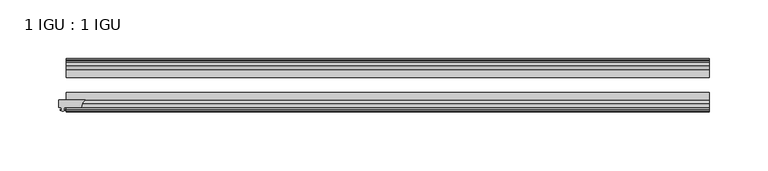
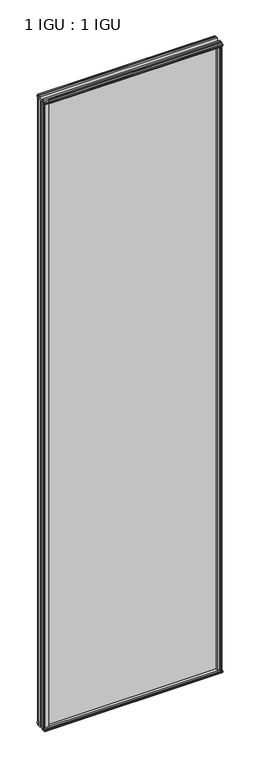
"""IFC4 building model written with IfcOpenShell, lengths in millimetres: plate geometry, 1 IGU : 1 IGU."""

import ifcopenshell
import ifcopenshell.guid

model = None  # the IFC model being written
_history = None  # IfcOwnerHistory: only IFC2X3 demands one
_inside = {}  # id of a spatial element -> (the spatial element, [elements in it])
_under = {}  # id of a project, library or spatial element -> (it, [spatial elements below it])
_declared = {}  # id of a project -> (the project, [libraries it declares])
_typed = {}  # id of a type object -> (the type object, [elements of that type])
_made_of = {}  # id of a material, layer set ... -> (it, [elements and type objects made of it])


def new_model(schema):
    """Start an empty IFC model of exactly this schema.

    Asked for "IFC4X3", IfcOpenShell would pick the latest addendum, in which some entities
    have other attributes; the version numbers below select the first issue.
    IFC2X3 requires an IfcOwnerHistory on every rooted entity: one is made here for all.
    """
    global model, _history
    if schema == "IFC4X3":
        model = ifcopenshell.file(schema_version=(4, 3, 0, 0))
    else:
        model = ifcopenshell.file(schema=schema)
    _inside.clear()
    _under.clear()
    _declared.clear()
    _typed.clear()
    _made_of.clear()
    _history = None
    if model.schema == "IFC2X3":
        org = make("IfcOrganization", Name="unknown")
        user = make(
            "IfcPersonAndOrganization",
            ThePerson=make("IfcPerson", FamilyName="unknown"),
            TheOrganization=org,
        )
        app = make(
            "IfcApplication",
            ApplicationDeveloper=org,
            Version="unknown",
            ApplicationFullName="unknown",
            ApplicationIdentifier="unknown",
        )
        _history = make(
            "IfcOwnerHistory",
            OwningUser=user,
            OwningApplication=app,
            ChangeAction="ADDED",
            CreationDate=0,
        )
    return model


def make(cls, **values):
    """One entity of the class cls with the attributes given. An attribute that is None is left unset."""
    return model.create_entity(
        cls, **{name: value for name, value in values.items() if value is not None}
    )


def rooted(cls, **values):
    """An entity with a GlobalId (a new one), such as an element, a storey or a relation."""
    return make(cls, GlobalId=ifcopenshell.guid.new(), OwnerHistory=_history, **values)


def si_unit(unit_type, name, prefix=None):
    """IfcSIUnit, for example si_unit("LENGTHUNIT", "METRE", prefix="MILLI")."""
    return make("IfcSIUnit", UnitType=unit_type, Prefix=prefix, Name=name)


def assignment(units):
    """IfcUnitAssignment: the units of a project."""
    return None if units is None else make("IfcUnitAssignment", Units=units)


def point(xyz):
    """IfcCartesianPoint."""
    return None if xyz is None else make("IfcCartesianPoint", Coordinates=xyz)


def direction(xyz):
    """IfcDirection."""
    return None if xyz is None else make("IfcDirection", DirectionRatios=xyz)


def frame(location, z_axis=None, x_axis=None):
    """IfcAxis2Placement3D, a coordinate frame: its origin and axes. An axis left out is left unset."""
    return make(
        "IfcAxis2Placement3D",
        Location=point(location),
        Axis=direction(z_axis),
        RefDirection=direction(x_axis),
    )


def frame_2d(location, x_axis=None):
    """IfcAxis2Placement2D, a coordinate frame in the plane: its origin and x axis."""
    return make(
        "IfcAxis2Placement2D", Location=point(location), RefDirection=direction(x_axis)
    )


def origin():
    """The frame at (0, 0, 0) with its axes left unset."""
    return frame((0.0, 0.0, 0.0))


def origin_with_axes():
    """The frame at (0, 0, 0) with the z axis (0, 0, 1) and the x axis (1, 0, 0) written out."""
    return frame((0.0, 0.0, 0.0), z_axis=(0.0, 0.0, 1.0), x_axis=(1.0, 0.0, 0.0))


def place(relative_to, where):
    """IfcLocalPlacement: puts the frame where relative to a parent placement (None: the world)."""
    return make(
        "IfcLocalPlacement", PlacementRelTo=relative_to, RelativePlacement=where
    )


def context(
    kind, dimensions, precision=None, world=None, true_north=None, identifier=None
):
    """IfcGeometricRepresentationContext, for example the 3D "Model" context."""
    return make(
        "IfcGeometricRepresentationContext",
        ContextIdentifier=identifier,
        ContextType=kind,
        CoordinateSpaceDimension=dimensions,
        Precision=precision,
        WorldCoordinateSystem=world,
        TrueNorth=true_north,
    )


def project(units=None, contexts=None):
    """IfcProject with its units and contexts."""
    return rooted(
        "IfcProject",
        Name="project",
        RepresentationContexts=contexts,
        UnitsInContext=assignment(units),
    )


def spatial(cls, under=None, at=None, **own):
    """A site, building, storey or space (cls), placed at a placement, below another one or the project."""
    s = rooted(cls, ObjectPlacement=at, **own)
    if under is not None:
        _under.setdefault(under.id(), (under, []))[1].append(s)
    return s


def polyline(points):
    """IfcPolyline through the points."""
    return make("IfcPolyline", Points=[point(p) for p in points])


def circle_curve(where, radius):
    """IfcCircle in the frame where."""
    return make("IfcCircle", Position=where, Radius=radius)


def trimmed(basis, trim1, trim2, sense, master):
    """IfcTrimmedCurve: the piece of a basis curve between two trims."""
    return make(
        "IfcTrimmedCurve",
        BasisCurve=basis,
        Trim1=trim1,
        Trim2=trim2,
        SenseAgreement=sense,
        MasterRepresentation=master,
    )


def segment(curve, same_sense, transition):
    """IfcCompositeCurveSegment."""
    return make(
        "IfcCompositeCurveSegment",
        Transition=transition,
        SameSense=same_sense,
        ParentCurve=curve,
    )


def composite_curve(segments, self_intersect=None):
    """IfcCompositeCurve: segments joined end to end."""
    return make("IfcCompositeCurve", Segments=segments, SelfIntersect=self_intersect)


def outline(outer, holes=None, kind="AREA"):
    """IfcArbitraryClosedProfileDef: a profile drawn as a closed curve; with holes, ...WithVoids."""
    if holes is None:
        return make("IfcArbitraryClosedProfileDef", ProfileType=kind, OuterCurve=outer)
    return make(
        "IfcArbitraryProfileDefWithVoids",
        ProfileType=kind,
        OuterCurve=outer,
        InnerCurves=holes,
    )


def extrude(swept, where, along, depth):
    """IfcExtrudedAreaSolid: the profile swept, set in the frame where, extruded along a direction by depth."""
    return make(
        "IfcExtrudedAreaSolid",
        SweptArea=swept,
        Position=where,
        ExtrudedDirection=direction(along),
        Depth=depth,
    )


def shape(context_of_items, identifier, shape_type, items):
    """IfcShapeRepresentation: the items that make up one representation, for example the "Body"."""
    return make(
        "IfcShapeRepresentation",
        ContextOfItems=context_of_items,
        RepresentationIdentifier=identifier,
        RepresentationType=shape_type,
        Items=items,
    )


def source(mapping_origin, context_of_items, identifier, shape_type, items):
    """IfcRepresentationMap: a shape defined once, which mapped items show again and again."""
    return make(
        "IfcRepresentationMap",
        MappingOrigin=mapping_origin,
        MappedRepresentation=shape(context_of_items, identifier, shape_type, items),
    )


def transform(
    local_origin,
    x_axis=None,
    y_axis=None,
    z_axis=None,
    scale=None,
    scale2=None,
    scale3=None,
    uniform=True,
):
    """IfcCartesianTransformationOperator3D, or its non-uniform kind. x_axis, y_axis, z_axis: its Axis1, 2, 3."""
    if uniform:
        return make(
            "IfcCartesianTransformationOperator3D",
            Axis1=direction(x_axis),
            Axis2=direction(y_axis),
            LocalOrigin=point(local_origin),
            Scale=scale,
            Axis3=direction(z_axis),
        )
    return make(
        "IfcCartesianTransformationOperator3DnonUniform",
        Axis1=direction(x_axis),
        Axis2=direction(y_axis),
        LocalOrigin=point(local_origin),
        Scale=scale,
        Axis3=direction(z_axis),
        Scale2=scale2,
        Scale3=scale3,
    )


def mapped(mapping_source, mapping_target):
    """IfcMappedItem: shows the shape of a source again, moved by a transform."""
    return make(
        "IfcMappedItem", MappingSource=mapping_source, MappingTarget=mapping_target
    )


def made_of(thing, what):
    """Note that an element or type object is made of a material, layer set ...; save() writes the relation."""
    if what is not None:
        _made_of.setdefault(what.id(), (what, []))[1].append(thing)
    return thing


def element(
    cls,
    number,
    at=None,
    inside=None,
    cuts=None,
    type_object=None,
    material=None,
    context=None,
    identifier="Body",
    shape_type=None,
    held_by="IfcProductDefinitionShape",
    body=None,
    shapes=None,
    **own,
):
    """One element of the class cls, such as IfcWall. Its Tag is "e" and its number.

    at: its placement. inside: the storey or other place that contains it. cuts: it is an
    opening in that element (IfcRelVoidsElement). A single representation is given by context,
    identifier, shape_type and body (its items); several are given by shapes. held_by: the class
    of the entity that holds the representations. save() writes the other relations.
    """
    e = rooted(cls, Tag="e%d" % number, ObjectPlacement=at, **own)
    if body is not None:
        shapes = [shape(context, identifier, shape_type, body)]
    if shapes is not None:
        e.Representation = make(held_by, Representations=shapes)
    if inside is not None:
        _inside.setdefault(inside.id(), (inside, []))[1].append(e)
    if cuts is not None:
        rooted(
            "IfcRelVoidsElement", RelatingBuildingElement=cuts, RelatedOpeningElement=e
        )
    if type_object is not None:
        _typed.setdefault(type_object.id(), (type_object, []))[1].append(e)
    return made_of(e, material)


def aggregate(whole, parts):
    """IfcRelAggregates: a whole, such as a stair, and the parts it consists of."""
    return rooted("IfcRelAggregates", RelatingObject=whole, RelatedObjects=parts)


def save(model, path):
    """Write the relations noted so far, then the file.

    IfcRelAggregates (storeys below a building ...), IfcRelContainedInSpatialStructure (elements
    in a storey), IfcRelDefinesByType, IfcRelAssociatesMaterial and IfcRelDeclares: one each for
    every whole, place, type object, material and project.
    """
    for whole, parts in _under.values():
        aggregate(whole, parts)
    for where, things in _inside.values():
        rooted(
            "IfcRelContainedInSpatialStructure",
            RelatedElements=things,
            RelatingStructure=where,
        )
    for kind, things in _typed.values():
        rooted("IfcRelDefinesByType", RelatedObjects=things, RelatingType=kind)
    for what, things in _made_of.values():
        rooted("IfcRelAssociatesMaterial", RelatedObjects=things, RelatingMaterial=what)
    for by, libraries in _declared.values():
        rooted("IfcRelDeclares", RelatingContext=by, RelatedDefinitions=libraries)
    model.write(path)


def plate_1_igu_1_igu_77aa8a71(model_context):
    return source(origin(), model_context, "Body", "SweptSolid", [
        extrude(outline(composite_curve([segment(trimmed(circle_curve(frame_2d((-252.5161799, -51.2493858)), 7.4386445), [point((-256.4661092, -44.9460937))], [point((-259.9546778, -51.2960937))], True, "CARTESIAN"), True, "CONTINUOUS"), segment(polyline([(-259.9546778, -51.2960937), (-274.5596778, -51.2960937), (-274.8771778, -53.4006957), (-273.6712719, -53.0775742), (-273.6712719, -53.8927506), (-275.8296778, -54.4710937), (-277.9880837, -53.8927506), (-277.9880837, -53.0775742), (-276.7821778, -53.4006957), (-277.0996778, -51.2960937), (-279.0046778, -51.2960937), (-279.0046778, -44.9460937), (-256.4661092, -44.9460937)]), True, "CONTINUOUS")], self_intersect=False)), origin_with_axes(), (0.0, 0.0, 1.0), 2031.9872998),
        extrude(outline(polyline([(258.3688915, -19.5460937), (260.4741686, -13.1960937), (265.681363, -13.1960937), (266.062363, -10.8158968), (264.646834, -11.27583), (264.646834, -10.4746158), (266.824363, -9.7670937), (269.0018921, -10.4746158), (269.0018921, -11.27583), (267.586363, -10.8158968), (267.967363, -13.1960937), (272.412363, -13.1960937), (272.412363, -16.1419073), (270.1992855, -19.5460937), (258.3688915, -19.5460937)])), origin_with_axes(), (0.0, 0.0, 1.0), 2019.3),
        extrude(outline(polyline([(-258.3688915, -19.5460937), (-270.1992855, -19.5460937), (-272.412363, -16.1419073), (-272.412363, -13.1960937), (-267.967363, -13.1960937), (-267.586363, -10.8158968), (-269.0018921, -11.27583), (-269.0018921, -10.4746158), (-266.824363, -9.7670937), (-264.646834, -10.4746158), (-264.646834, -11.27583), (-266.062363, -10.8158968), (-265.681363, -13.1960937), (-260.4741686, -13.1960937), (-258.3688915, -19.5460937)])), origin_with_axes(), (0.0, 0.0, 1.0), 2019.3),
        extrude(outline(polyline([(-16.1419073, -12.4576852), (-19.5460937, -10.2446077), (-19.5460937, 1.5857863), (-13.1960937, -0.5194908), (-13.1960937, -5.7266852), (-10.8158968, -6.1076852), (-11.27583, -4.6921562), (-10.4746158, -4.6921562), (-9.7670937, -6.8696852), (-10.4746158, -9.0472143), (-11.27583, -9.0472143), (-10.8158968, -7.6316852), (-13.1960937, -8.0126852), (-13.1960937, -12.4576852), (-16.1419073, -12.4576852)])), frame((-272.6546778, 0.0, 0.0), z_axis=(1.0, 0.0, 0.0), x_axis=(0.0, 1.0, 0.0)), (0.0, 0.0, 1.0), 545.3093556),
        extrude(outline(polyline([(-48.3502802, -11.938), (-51.2960937, -11.938), (-51.2960937, -7.493), (-53.6762907, -7.112), (-53.2163575, -8.5275291), (-54.0175717, -8.5275291), (-54.7250937, -6.35), (-54.0175717, -4.172471), (-53.2163575, -4.172471), (-53.6762907, -5.588), (-51.2960937, -5.207), (-51.2960937, 0.0001944), (-44.9460937, 2.1054715), (-44.9460937, -9.7249225), (-48.3502802, -11.938)])), frame((-272.6546778, 0.0, 0.0), z_axis=(1.0, 0.0, 0.0), x_axis=(0.0, 1.0, 0.0)), (0.0, 0.0, 1.0), 545.3093556),
        extrude(outline(polyline([(-16.1028367, 2031.7576852), (-13.1960937, 2031.7576852), (-13.1960937, 2027.3126852), (-10.8158968, 2026.9316852), (-11.27583, 2028.3472143), (-10.4746158, 2028.3472143), (-9.7670937, 2026.1696852), (-10.4746158, 2023.9921562), (-11.27583, 2023.9921562), (-10.8158968, 2025.4076852), (-13.1960937, 2025.0266852), (-13.1960937, 2019.7940908), (-19.5460937, 2017.6888137), (-19.5460937, 2029.5192077), (-16.1028367, 2031.7576852)])), frame((-272.6546778, 0.0, 0.0), z_axis=(1.0, 0.0, 0.0), x_axis=(0.0, 1.0, 0.0)), (0.0, 0.0, 1.0), 545.3093556),
        extrude(outline(polyline([(-48.3893508, 2031.2126), (-44.9460937, 2028.9741225), (-44.9460937, 2017.1437285), (-51.2960937, 2019.2490056), (-51.2960937, 2024.4816), (-53.6762907, 2024.8626), (-53.2163575, 2023.447071), (-54.0175717, 2023.447071), (-54.7250938, 2025.6246), (-54.0175717, 2027.8021291), (-53.2163575, 2027.8021291), (-53.6762907, 2026.3866), (-51.2960937, 2026.7676), (-51.2960937, 2031.2126), (-48.3893508, 2031.2126)])), frame((-272.6546778, 0.0, 0.0), z_axis=(1.0, 0.0, 0.0), x_axis=(0.0, 1.0, 0.0)), (0.0, 0.0, 1.0), 545.3093556),
        extrude(outline(polyline([(257.8492063, -44.9460938), (269.6796003, -44.9460938), (271.8926778, -48.3502802), (271.8926778, -51.2960938), (267.4476778, -51.2960938), (267.0666778, -53.6762907), (268.4822068, -53.2163575), (268.4822068, -54.0175717), (266.3046778, -54.7250938), (264.1271487, -54.0175717), (264.1271487, -53.2163575), (265.5426778, -53.6762907), (265.1616778, -51.2960938), (259.9544834, -51.2960938), (257.8492063, -44.9460938)])), origin_with_axes(), (0.0, 0.0, 1.0), 2019.3),
        extrude(outline(polyline([(272.6546778, -19.5460937), (272.6546778, -25.8337453), (-272.6546778, -25.8337453), (-272.6546778, -19.5460937), (272.6546778, -19.5460937)])), frame((0.0, 0.0, -12.7), z_axis=(0.0, 0.0, 1.0), x_axis=(1.0, 0.0, 0.0)), (0.0, 0.0, 1.0), 2044.6872998),
        extrude(outline(polyline([(-272.6546778, -44.9460937), (-272.6546778, -38.6468938), (272.6546778, -38.6468938), (272.6546778, -44.9460937), (-272.6546778, -44.9460937)])), frame((0.0, 0.0, -12.7), z_axis=(0.0, 0.0, 1.0), x_axis=(1.0, 0.0, 0.0)), (0.0, 0.0, 1.0), 2044.6872998),
    ])


if __name__ == "__main__":
    model = new_model("IFC4")
    model_context = context("Model", 3, world=origin())
    ifc_project = project(units=[si_unit("LENGTHUNIT", "METRE", prefix="MILLI")], contexts=[model_context])
    site = spatial("IfcSite", under=ifc_project)
    building = spatial("IfcBuilding", under=site)
    placement = place(None, origin())
    plate_1_igu_1_igu_shape = plate_1_igu_1_igu_77aa8a71(model_context)
    element("IfcPlate", 1, ObjectType="1 IGU : 1 IGU", at=placement, inside=building, context=model_context, shape_type="MappedRepresentation", body=[
        mapped(plate_1_igu_1_igu_shape, transform((0.0, 0.0, 0.0), x_axis=(1.0, 0.0, 0.0), y_axis=(0.0, 1.0, 0.0), z_axis=(0.0, 0.0, 1.0))),
    ])
    save(model, "model.ifc")
